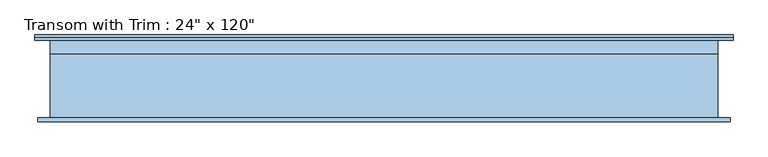
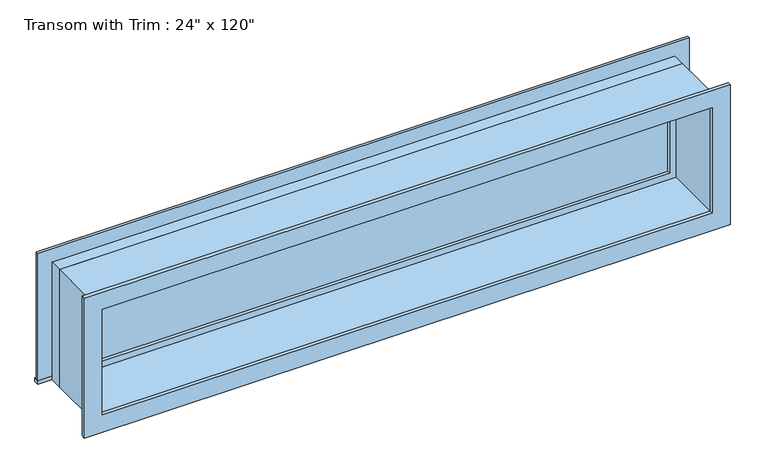
"""IFC4 building model written with IfcOpenShell, lengths in millimetres: window geometry."""

import ifcopenshell
import ifcopenshell.guid

model = None  # the IFC model being written
_history = None  # IfcOwnerHistory: only IFC2X3 demands one
_inside = {}  # id of a spatial element -> (the spatial element, [elements in it])
_under = {}  # id of a project, library or spatial element -> (it, [spatial elements below it])
_declared = {}  # id of a project -> (the project, [libraries it declares])
_typed = {}  # id of a type object -> (the type object, [elements of that type])
_made_of = {}  # id of a material, layer set ... -> (it, [elements and type objects made of it])


def new_model(schema):
    """Start an empty IFC model of exactly this schema.

    Asked for "IFC4X3", IfcOpenShell would pick the latest addendum, in which some entities
    have other attributes; the version numbers below select the first issue.
    IFC2X3 requires an IfcOwnerHistory on every rooted entity: one is made here for all.
    """
    global model, _history
    if schema == "IFC4X3":
        model = ifcopenshell.file(schema_version=(4, 3, 0, 0))
    else:
        model = ifcopenshell.file(schema=schema)
    _inside.clear()
    _under.clear()
    _declared.clear()
    _typed.clear()
    _made_of.clear()
    _history = None
    if model.schema == "IFC2X3":
        org = make("IfcOrganization", Name="unknown")
        user = make(
            "IfcPersonAndOrganization",
            ThePerson=make("IfcPerson", FamilyName="unknown"),
            TheOrganization=org,
        )
        app = make(
            "IfcApplication",
            ApplicationDeveloper=org,
            Version="unknown",
            ApplicationFullName="unknown",
            ApplicationIdentifier="unknown",
        )
        _history = make(
            "IfcOwnerHistory",
            OwningUser=user,
            OwningApplication=app,
            ChangeAction="ADDED",
            CreationDate=0,
        )
    return model


def make(cls, **values):
    """One entity of the class cls with the attributes given. An attribute that is None is left unset."""
    return model.create_entity(
        cls, **{name: value for name, value in values.items() if value is not None}
    )


def rooted(cls, **values):
    """An entity with a GlobalId (a new one), such as an element, a storey or a relation."""
    return make(cls, GlobalId=ifcopenshell.guid.new(), OwnerHistory=_history, **values)


def si_unit(unit_type, name, prefix=None):
    """IfcSIUnit, for example si_unit("LENGTHUNIT", "METRE", prefix="MILLI")."""
    return make("IfcSIUnit", UnitType=unit_type, Prefix=prefix, Name=name)


def assignment(units):
    """IfcUnitAssignment: the units of a project."""
    return None if units is None else make("IfcUnitAssignment", Units=units)


def point(xyz):
    """IfcCartesianPoint."""
    return None if xyz is None else make("IfcCartesianPoint", Coordinates=xyz)


def direction(xyz):
    """IfcDirection."""
    return None if xyz is None else make("IfcDirection", DirectionRatios=xyz)


def frame(location, z_axis=None, x_axis=None):
    """IfcAxis2Placement3D, a coordinate frame: its origin and axes. An axis left out is left unset."""
    return make(
        "IfcAxis2Placement3D",
        Location=point(location),
        Axis=direction(z_axis),
        RefDirection=direction(x_axis),
    )


def origin():
    """The frame at (0, 0, 0) with its axes left unset."""
    return frame((0.0, 0.0, 0.0))


def place(relative_to, where):
    """IfcLocalPlacement: puts the frame where relative to a parent placement (None: the world)."""
    return make(
        "IfcLocalPlacement", PlacementRelTo=relative_to, RelativePlacement=where
    )


def context(
    kind, dimensions, precision=None, world=None, true_north=None, identifier=None
):
    """IfcGeometricRepresentationContext, for example the 3D "Model" context."""
    return make(
        "IfcGeometricRepresentationContext",
        ContextIdentifier=identifier,
        ContextType=kind,
        CoordinateSpaceDimension=dimensions,
        Precision=precision,
        WorldCoordinateSystem=world,
        TrueNorth=true_north,
    )


def project(units=None, contexts=None):
    """IfcProject with its units and contexts."""
    return rooted(
        "IfcProject",
        Name="project",
        RepresentationContexts=contexts,
        UnitsInContext=assignment(units),
    )


def spatial(cls, under=None, at=None, **own):
    """A site, building, storey or space (cls), placed at a placement, below another one or the project."""
    s = rooted(cls, ObjectPlacement=at, **own)
    if under is not None:
        _under.setdefault(under.id(), (under, []))[1].append(s)
    return s


def polyline(points):
    """IfcPolyline through the points."""
    return make("IfcPolyline", Points=[point(p) for p in points])


def outline(outer, holes=None, kind="AREA"):
    """IfcArbitraryClosedProfileDef: a profile drawn as a closed curve; with holes, ...WithVoids."""
    if holes is None:
        return make("IfcArbitraryClosedProfileDef", ProfileType=kind, OuterCurve=outer)
    return make(
        "IfcArbitraryProfileDefWithVoids",
        ProfileType=kind,
        OuterCurve=outer,
        InnerCurves=holes,
    )


def extrude(swept, where, along, depth):
    """IfcExtrudedAreaSolid: the profile swept, set in the frame where, extruded along a direction by depth."""
    return make(
        "IfcExtrudedAreaSolid",
        SweptArea=swept,
        Position=where,
        ExtrudedDirection=direction(along),
        Depth=depth,
    )


def shape(context_of_items, identifier, shape_type, items):
    """IfcShapeRepresentation: the items that make up one representation, for example the "Body"."""
    return make(
        "IfcShapeRepresentation",
        ContextOfItems=context_of_items,
        RepresentationIdentifier=identifier,
        RepresentationType=shape_type,
        Items=items,
    )


def source(mapping_origin, context_of_items, identifier, shape_type, items):
    """IfcRepresentationMap: a shape defined once, which mapped items show again and again."""
    return make(
        "IfcRepresentationMap",
        MappingOrigin=mapping_origin,
        MappedRepresentation=shape(context_of_items, identifier, shape_type, items),
    )


def transform(
    local_origin,
    x_axis=None,
    y_axis=None,
    z_axis=None,
    scale=None,
    scale2=None,
    scale3=None,
    uniform=True,
):
    """IfcCartesianTransformationOperator3D, or its non-uniform kind. x_axis, y_axis, z_axis: its Axis1, 2, 3."""
    if uniform:
        return make(
            "IfcCartesianTransformationOperator3D",
            Axis1=direction(x_axis),
            Axis2=direction(y_axis),
            LocalOrigin=point(local_origin),
            Scale=scale,
            Axis3=direction(z_axis),
        )
    return make(
        "IfcCartesianTransformationOperator3DnonUniform",
        Axis1=direction(x_axis),
        Axis2=direction(y_axis),
        LocalOrigin=point(local_origin),
        Scale=scale,
        Axis3=direction(z_axis),
        Scale2=scale2,
        Scale3=scale3,
    )


def mapped(mapping_source, mapping_target):
    """IfcMappedItem: shows the shape of a source again, moved by a transform."""
    return make(
        "IfcMappedItem", MappingSource=mapping_source, MappingTarget=mapping_target
    )


def made_of(thing, what):
    """Note that an element or type object is made of a material, layer set ...; save() writes the relation."""
    if what is not None:
        _made_of.setdefault(what.id(), (what, []))[1].append(thing)
    return thing


def element(
    cls,
    number,
    at=None,
    inside=None,
    cuts=None,
    type_object=None,
    material=None,
    context=None,
    identifier="Body",
    shape_type=None,
    held_by="IfcProductDefinitionShape",
    body=None,
    shapes=None,
    **own,
):
    """One element of the class cls, such as IfcWall. Its Tag is "e" and its number.

    at: its placement. inside: the storey or other place that contains it. cuts: it is an
    opening in that element (IfcRelVoidsElement). A single representation is given by context,
    identifier, shape_type and body (its items); several are given by shapes. held_by: the class
    of the entity that holds the representations. save() writes the other relations.
    """
    e = rooted(cls, Tag="e%d" % number, ObjectPlacement=at, **own)
    if body is not None:
        shapes = [shape(context, identifier, shape_type, body)]
    if shapes is not None:
        e.Representation = make(held_by, Representations=shapes)
    if inside is not None:
        _inside.setdefault(inside.id(), (inside, []))[1].append(e)
    if cuts is not None:
        rooted(
            "IfcRelVoidsElement", RelatingBuildingElement=cuts, RelatedOpeningElement=e
        )
    if type_object is not None:
        _typed.setdefault(type_object.id(), (type_object, []))[1].append(e)
    return made_of(e, material)


def aggregate(whole, parts):
    """IfcRelAggregates: a whole, such as a stair, and the parts it consists of."""
    return rooted("IfcRelAggregates", RelatingObject=whole, RelatedObjects=parts)


def save(model, path):
    """Write the relations noted so far, then the file.

    IfcRelAggregates (storeys below a building ...), IfcRelContainedInSpatialStructure (elements
    in a storey), IfcRelDefinesByType, IfcRelAssociatesMaterial and IfcRelDeclares: one each for
    every whole, place, type object, material and project.
    """
    for whole, parts in _under.values():
        aggregate(whole, parts)
    for where, things in _inside.values():
        rooted(
            "IfcRelContainedInSpatialStructure",
            RelatedElements=things,
            RelatingStructure=where,
        )
    for kind, things in _typed.values():
        rooted("IfcRelDefinesByType", RelatedObjects=things, RelatingType=kind)
    for what, things in _made_of.values():
        rooted("IfcRelAssociatesMaterial", RelatedObjects=things, RelatingMaterial=what)
    for by, libraries in _declared.values():
        rooted("IfcRelDeclares", RelatingContext=by, RelatedDefinitions=libraries)
    model.write(path)


def window_c370c343(model_context):
    return source(origin(), model_context, "Body", "SweptSolid", [
        extrude(outline(polyline([(-1631.95, 201.6125), (1555.75, 201.6125), (1555.75, 176.2125), (-1631.95, 176.2125), (-1631.95, 201.6125)])), frame((0.0, 0.0, 2159.0), z_axis=(0.0, 0.0, 1.0), x_axis=(1.0, 0.0, 0.0)), (0.0, 0.0, 1.0), 19.05),
        extrude(outline(polyline([(2749.55, -1543.05), (2749.55, 1466.85), (2178.05, 1466.85), (2178.05, 1555.75), (2838.45, 1555.75), (2838.45, -1631.95), (2178.05, -1631.95), (2178.05, -1543.05), (2749.55, -1543.05)])), frame((0.0, 176.2125, 0.0), z_axis=(0.0, 1.0, 0.0), x_axis=(0.0, 0.0, 1.0)), (0.0, 0.0, 1.0), 12.7),
        extrude(outline(polyline([(2825.75, 1543.05), (2825.75, -1619.25), (2101.85, -1619.25), (2101.85, 1543.05), (2825.75, 1543.05)]), holes=[polyline([(2736.85, 1454.15), (2190.75, 1454.15), (2190.75, -1530.35), (2736.85, -1530.35), (2736.85, 1454.15)])]), frame((0.0, -195.2625, 0.0), z_axis=(0.0, 1.0, 0.0), x_axis=(0.0, 0.0, 1.0)), (0.0, 0.0, 1.0), 19.05),
        extrude(outline(polyline([(1422.4, 128.5875), (-1498.6, 128.5875), (-1498.6, 141.2875), (1422.4, 141.2875), (1422.4, 128.5875)])), frame((0.0, 0.0, 2222.5), z_axis=(0.0, 0.0, 1.0), x_axis=(1.0, 0.0, 0.0)), (0.0, 0.0, 1.0), 482.6),
        extrude(outline(polyline([(2749.55, -1543.05), (2178.05, -1543.05), (2178.05, 1466.85), (2749.55, 1466.85), (2749.55, -1543.05)]), holes=[polyline([(2705.1, -1498.6), (2705.1, 1422.4), (2222.5, 1422.4), (2222.5, -1498.6), (2705.1, -1498.6)])]), frame((0.0, 112.7125, 0.0), z_axis=(0.0, 1.0, 0.0), x_axis=(0.0, 0.0, 1.0)), (0.0, 0.0, 1.0), 44.45),
        extrude(outline(polyline([(2768.6, -1562.1), (2159.0, -1562.1), (2159.0, 1485.9), (2768.6, 1485.9), (2768.6, -1562.1)]), holes=[polyline([(2736.85, -1530.35), (2736.85, 1454.15), (2190.75, 1454.15), (2190.75, -1530.35), (2736.85, -1530.35)])]), frame((0.0, -176.2125, 0.0), z_axis=(0.0, 1.0, 0.0), x_axis=(0.0, 0.0, 1.0)), (0.0, 0.0, 1.0), 288.925),
        extrude(outline(polyline([(2768.6, 1485.9), (2768.6, -1562.1), (2159.0, -1562.1), (2159.0, 1485.9), (2768.6, 1485.9)]), holes=[polyline([(2749.55, 1466.85), (2178.05, 1466.85), (2178.05, -1543.05), (2749.55, -1543.05), (2749.55, 1466.85)])]), frame((0.0, 112.7125, 0.0), z_axis=(0.0, 1.0, 0.0), x_axis=(0.0, 0.0, 1.0)), (0.0, 0.0, 1.0), 63.5),
    ])


if __name__ == "__main__":
    model = new_model("IFC4")
    model_context = context("Model", 3, world=origin())
    ifc_project = project(units=[si_unit("LENGTHUNIT", "METRE", prefix="MILLI")], contexts=[model_context])
    site = spatial("IfcSite", under=ifc_project)
    building = spatial("IfcBuilding", under=site)
    placement = place(None, origin())
    window_shape = window_c370c343(model_context)
    element("IfcWindow", 1, ObjectType="Transom with Trim : 24\" x 120\"", at=placement, inside=building, context=model_context, shape_type="MappedRepresentation", body=[
        mapped(window_shape, transform((0.0, 0.0, 0.0), x_axis=(1.0, 0.0, 0.0), y_axis=(0.0, 1.0, 0.0), z_axis=(0.0, 0.0, 1.0))),
    ])
    save(model, "model.ifc")
